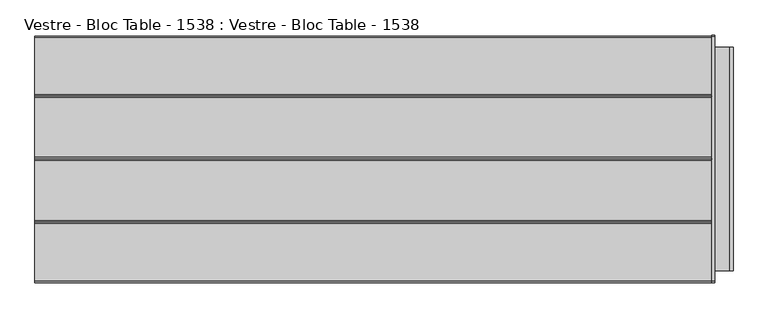
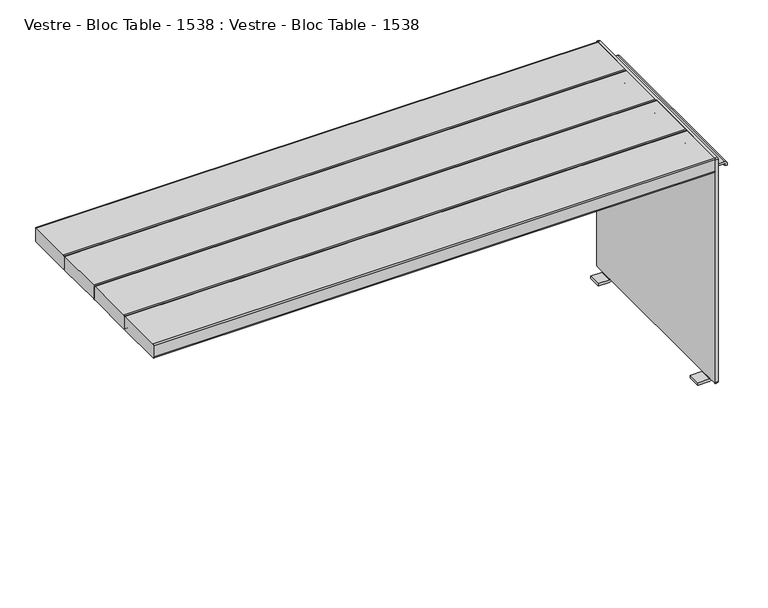
"""IFC4 building model written with IfcOpenShell, lengths in millimetres: furniture geometry, Vestre - Bloc Table - 1538 : Vestre - Bloc Table - 1538."""

import ifcopenshell
import ifcopenshell.guid

model = None  # the IFC model being written
_history = None  # IfcOwnerHistory: only IFC2X3 demands one
_inside = {}  # id of a spatial element -> (the spatial element, [elements in it])
_under = {}  # id of a project, library or spatial element -> (it, [spatial elements below it])
_declared = {}  # id of a project -> (the project, [libraries it declares])
_typed = {}  # id of a type object -> (the type object, [elements of that type])
_made_of = {}  # id of a material, layer set ... -> (it, [elements and type objects made of it])


def new_model(schema):
    """Start an empty IFC model of exactly this schema.

    Asked for "IFC4X3", IfcOpenShell would pick the latest addendum, in which some entities
    have other attributes; the version numbers below select the first issue.
    IFC2X3 requires an IfcOwnerHistory on every rooted entity: one is made here for all.
    """
    global model, _history
    if schema == "IFC4X3":
        model = ifcopenshell.file(schema_version=(4, 3, 0, 0))
    else:
        model = ifcopenshell.file(schema=schema)
    _inside.clear()
    _under.clear()
    _declared.clear()
    _typed.clear()
    _made_of.clear()
    _history = None
    if model.schema == "IFC2X3":
        org = make("IfcOrganization", Name="unknown")
        user = make(
            "IfcPersonAndOrganization",
            ThePerson=make("IfcPerson", FamilyName="unknown"),
            TheOrganization=org,
        )
        app = make(
            "IfcApplication",
            ApplicationDeveloper=org,
            Version="unknown",
            ApplicationFullName="unknown",
            ApplicationIdentifier="unknown",
        )
        _history = make(
            "IfcOwnerHistory",
            OwningUser=user,
            OwningApplication=app,
            ChangeAction="ADDED",
            CreationDate=0,
        )
    return model


def make(cls, **values):
    """One entity of the class cls with the attributes given. An attribute that is None is left unset."""
    return model.create_entity(
        cls, **{name: value for name, value in values.items() if value is not None}
    )


def rooted(cls, **values):
    """An entity with a GlobalId (a new one), such as an element, a storey or a relation."""
    return make(cls, GlobalId=ifcopenshell.guid.new(), OwnerHistory=_history, **values)


def si_unit(unit_type, name, prefix=None):
    """IfcSIUnit, for example si_unit("LENGTHUNIT", "METRE", prefix="MILLI")."""
    return make("IfcSIUnit", UnitType=unit_type, Prefix=prefix, Name=name)


def assignment(units):
    """IfcUnitAssignment: the units of a project."""
    return None if units is None else make("IfcUnitAssignment", Units=units)


def point(xyz):
    """IfcCartesianPoint."""
    return None if xyz is None else make("IfcCartesianPoint", Coordinates=xyz)


def direction(xyz):
    """IfcDirection."""
    return None if xyz is None else make("IfcDirection", DirectionRatios=xyz)


def frame(location, z_axis=None, x_axis=None):
    """IfcAxis2Placement3D, a coordinate frame: its origin and axes. An axis left out is left unset."""
    return make(
        "IfcAxis2Placement3D",
        Location=point(location),
        Axis=direction(z_axis),
        RefDirection=direction(x_axis),
    )


def frame_2d(location, x_axis=None):
    """IfcAxis2Placement2D, a coordinate frame in the plane: its origin and x axis."""
    return make(
        "IfcAxis2Placement2D", Location=point(location), RefDirection=direction(x_axis)
    )


def origin():
    """The frame at (0, 0, 0) with its axes left unset."""
    return frame((0.0, 0.0, 0.0))


def place(relative_to, where):
    """IfcLocalPlacement: puts the frame where relative to a parent placement (None: the world)."""
    return make(
        "IfcLocalPlacement", PlacementRelTo=relative_to, RelativePlacement=where
    )


def context(
    kind, dimensions, precision=None, world=None, true_north=None, identifier=None
):
    """IfcGeometricRepresentationContext, for example the 3D "Model" context."""
    return make(
        "IfcGeometricRepresentationContext",
        ContextIdentifier=identifier,
        ContextType=kind,
        CoordinateSpaceDimension=dimensions,
        Precision=precision,
        WorldCoordinateSystem=world,
        TrueNorth=true_north,
    )


def project(units=None, contexts=None):
    """IfcProject with its units and contexts."""
    return rooted(
        "IfcProject",
        Name="project",
        RepresentationContexts=contexts,
        UnitsInContext=assignment(units),
    )


def spatial(cls, under=None, at=None, **own):
    """A site, building, storey or space (cls), placed at a placement, below another one or the project."""
    s = rooted(cls, ObjectPlacement=at, **own)
    if under is not None:
        _under.setdefault(under.id(), (under, []))[1].append(s)
    return s


def polyline(points):
    """IfcPolyline through the points."""
    return make("IfcPolyline", Points=[point(p) for p in points])


def circle_curve(where, radius):
    """IfcCircle in the frame where."""
    return make("IfcCircle", Position=where, Radius=radius)


def trimmed(basis, trim1, trim2, sense, master):
    """IfcTrimmedCurve: the piece of a basis curve between two trims."""
    return make(
        "IfcTrimmedCurve",
        BasisCurve=basis,
        Trim1=trim1,
        Trim2=trim2,
        SenseAgreement=sense,
        MasterRepresentation=master,
    )


def segment(curve, same_sense, transition):
    """IfcCompositeCurveSegment."""
    return make(
        "IfcCompositeCurveSegment",
        Transition=transition,
        SameSense=same_sense,
        ParentCurve=curve,
    )


def composite_curve(segments, self_intersect=None):
    """IfcCompositeCurve: segments joined end to end."""
    return make("IfcCompositeCurve", Segments=segments, SelfIntersect=self_intersect)


def outline(outer, holes=None, kind="AREA"):
    """IfcArbitraryClosedProfileDef: a profile drawn as a closed curve; with holes, ...WithVoids."""
    if holes is None:
        return make("IfcArbitraryClosedProfileDef", ProfileType=kind, OuterCurve=outer)
    return make(
        "IfcArbitraryProfileDefWithVoids",
        ProfileType=kind,
        OuterCurve=outer,
        InnerCurves=holes,
    )


def extrude(swept, where, along, depth):
    """IfcExtrudedAreaSolid: the profile swept, set in the frame where, extruded along a direction by depth."""
    return make(
        "IfcExtrudedAreaSolid",
        SweptArea=swept,
        Position=where,
        ExtrudedDirection=direction(along),
        Depth=depth,
    )


def shape(context_of_items, identifier, shape_type, items):
    """IfcShapeRepresentation: the items that make up one representation, for example the "Body"."""
    return make(
        "IfcShapeRepresentation",
        ContextOfItems=context_of_items,
        RepresentationIdentifier=identifier,
        RepresentationType=shape_type,
        Items=items,
    )


def source(mapping_origin, context_of_items, identifier, shape_type, items):
    """IfcRepresentationMap: a shape defined once, which mapped items show again and again."""
    return make(
        "IfcRepresentationMap",
        MappingOrigin=mapping_origin,
        MappedRepresentation=shape(context_of_items, identifier, shape_type, items),
    )


def transform(
    local_origin,
    x_axis=None,
    y_axis=None,
    z_axis=None,
    scale=None,
    scale2=None,
    scale3=None,
    uniform=True,
):
    """IfcCartesianTransformationOperator3D, or its non-uniform kind. x_axis, y_axis, z_axis: its Axis1, 2, 3."""
    if uniform:
        return make(
            "IfcCartesianTransformationOperator3D",
            Axis1=direction(x_axis),
            Axis2=direction(y_axis),
            LocalOrigin=point(local_origin),
            Scale=scale,
            Axis3=direction(z_axis),
        )
    return make(
        "IfcCartesianTransformationOperator3DnonUniform",
        Axis1=direction(x_axis),
        Axis2=direction(y_axis),
        LocalOrigin=point(local_origin),
        Scale=scale,
        Axis3=direction(z_axis),
        Scale2=scale2,
        Scale3=scale3,
    )


def mapped(mapping_source, mapping_target):
    """IfcMappedItem: shows the shape of a source again, moved by a transform."""
    return make(
        "IfcMappedItem", MappingSource=mapping_source, MappingTarget=mapping_target
    )


def made_of(thing, what):
    """Note that an element or type object is made of a material, layer set ...; save() writes the relation."""
    if what is not None:
        _made_of.setdefault(what.id(), (what, []))[1].append(thing)
    return thing


def element(
    cls,
    number,
    at=None,
    inside=None,
    cuts=None,
    type_object=None,
    material=None,
    context=None,
    identifier="Body",
    shape_type=None,
    held_by="IfcProductDefinitionShape",
    body=None,
    shapes=None,
    **own,
):
    """One element of the class cls, such as IfcWall. Its Tag is "e" and its number.

    at: its placement. inside: the storey or other place that contains it. cuts: it is an
    opening in that element (IfcRelVoidsElement). A single representation is given by context,
    identifier, shape_type and body (its items); several are given by shapes. held_by: the class
    of the entity that holds the representations. save() writes the other relations.
    """
    e = rooted(cls, Tag="e%d" % number, ObjectPlacement=at, **own)
    if body is not None:
        shapes = [shape(context, identifier, shape_type, body)]
    if shapes is not None:
        e.Representation = make(held_by, Representations=shapes)
    if inside is not None:
        _inside.setdefault(inside.id(), (inside, []))[1].append(e)
    if cuts is not None:
        rooted(
            "IfcRelVoidsElement", RelatingBuildingElement=cuts, RelatedOpeningElement=e
        )
    if type_object is not None:
        _typed.setdefault(type_object.id(), (type_object, []))[1].append(e)
    return made_of(e, material)


def aggregate(whole, parts):
    """IfcRelAggregates: a whole, such as a stair, and the parts it consists of."""
    return rooted("IfcRelAggregates", RelatingObject=whole, RelatedObjects=parts)


def save(model, path):
    """Write the relations noted so far, then the file.

    IfcRelAggregates (storeys below a building ...), IfcRelContainedInSpatialStructure (elements
    in a storey), IfcRelDefinesByType, IfcRelAssociatesMaterial and IfcRelDeclares: one each for
    every whole, place, type object, material and project.
    """
    for whole, parts in _under.values():
        aggregate(whole, parts)
    for where, things in _inside.values():
        rooted(
            "IfcRelContainedInSpatialStructure",
            RelatedElements=things,
            RelatingStructure=where,
        )
    for kind, things in _typed.values():
        rooted("IfcRelDefinesByType", RelatedObjects=things, RelatingType=kind)
    for what, things in _made_of.values():
        rooted("IfcRelAssociatesMaterial", RelatedObjects=things, RelatingMaterial=what)
    for by, libraries in _declared.values():
        rooted("IfcRelDeclares", RelatingContext=by, RelatedDefinitions=libraries)
    model.write(path)


def plane_surface(at):
    """IfcPlane: the flat surface through the origin of the frame at, square to its z axis."""
    return make("IfcPlane", Position=at)


def cylinder_surface(at, radius):
    """IfcCylindricalSurface: all points at the distance radius from the z axis of the frame at."""
    return make("IfcCylindricalSurface", Position=at, Radius=radius)


def revolved_surface(curve, axis_point, axis_direction):
    """IfcSurfaceOfRevolution: the curve turned about the line through axis_point along axis_direction."""
    return make(
        "IfcSurfaceOfRevolution",
        SweptCurve=make("IfcArbitraryOpenProfileDef", ProfileType="CURVE", Curve=curve),
        AxisPosition=make("IfcAxis1Placement", Location=point(axis_point), Axis=direction(axis_direction)),
    )


def advanced_brep(points, edges, surfaces, faces):
    """IfcAdvancedBrep: a solid bounded by faces that lie on surfaces and meet in shared edges.

    An edge is (start, end): straight between two places in points (the first is 0);
    or (start, end, curve); or (start, end, curve, False) where it runs against its curve.
    A face is (place in surfaces, loops), or (place, loops, False) where it looks against
    its surface's normal. A loop lists edges by number (the first is 1), with a minus sign
    where the edge is run from its end to its start. The first loop is the outer one.
    """
    corners = [point(p) for p in points]
    vertices = [make("IfcVertexPoint", VertexGeometry=c) for c in corners]
    made = []
    for start, end, *more in edges:
        made.append(
            make(
                "IfcEdgeCurve",
                EdgeStart=vertices[start],
                EdgeEnd=vertices[end],
                EdgeGeometry=more[0] if more else make("IfcPolyline", Points=[corners[start], corners[end]]),
                SameSense=more[1] if len(more) > 1 else True,
            )
        )
    hull = []
    for where, loops, *sense in faces:
        bounds = []
        for j, loop in enumerate(loops):
            ring = [make("IfcOrientedEdge", EdgeElement=made[abs(k) - 1], Orientation=k > 0) for k in loop]
            bounds.append(
                make(
                    "IfcFaceOuterBound" if j == 0 else "IfcFaceBound",
                    Bound=make("IfcEdgeLoop", EdgeList=ring),
                    Orientation=True,
                )
            )
        hull.append(make("IfcAdvancedFace", Bounds=bounds, FaceSurface=surfaces[where], SameSense=sense[0] if sense else True))
    return make("IfcAdvancedBrep", Outer=make("IfcClosedShell", CfsFaces=hull))


def vestre_bloc_table_1538_vestre_bloc_table_1538_109c5e61(model_context):
    return source(origin(), model_context, "Body", "SolidModel", [
        extrude(outline(polyline([(20.5020914, -284.4050005), (-20.5020914, -284.4050005), (-20.5020914, 284.4050005), (20.5020914, 284.4050005), (20.5020914, -284.4050005)])), frame((0.0, 0.0, 689.0027779), z_axis=(0.0, 0.0, 1.0), x_axis=(1.0, 0.0, 0.0)), (0.0, 0.0, 1.0), 6.0),
        advanced_brep(
        [(914.6216008, 284.4050005, 682.0027779), (914.6216008, 284.4050005, 687.0027779), (914.6216008, -284.4050005, 687.0027779), (914.6216008, -284.4050005, 682.0027779), (914.6216008, -221.626226, 664.5853587), (914.6216008, -218.262862, 664.0027779), (914.6216008, 218.272863, 664.0027779), (914.6216008, 221.636227, 664.5853587), (908.6216008, 284.4050005, 682.0027779), (908.6216008, 221.636227, 664.5853587), (908.6216008, 218.272863, 664.0027779), (908.6216008, -218.262862, 664.0027779), (908.6216008, -221.626226, 664.5853587), (908.6216008, -284.4050005, 682.0027779), (908.6216008, -284.4050005, 687.0027779), (908.6216008, 284.4050005, 687.0027779), (906.6216008, -284.4050005, 695.0027779), (868.6216008, -284.4050005, 695.0027779), (868.6216008, -284.4050005, 689.0027779), (906.6216008, -284.4050005, 689.0027779), (906.6216008, 284.4050005, 689.0027779), (868.6216008, 284.4050005, 689.0027779), (868.6216008, 284.4050005, 695.0027779), (906.6216008, 284.4050005, 695.0027779), (860.7200941, -311.048826, 9.9972221), (860.7200941, -315.0, 13.9483962), (860.7200941, -315.0, 735.9759972), (860.7200941, -310.9759972, 740.0), (860.7200941, 311.0116049, 740.0), (860.7200941, 314.9999885, 736.0143057), (860.7200941, 315.4860483, 15.4039898), (860.7200941, 311.3305667, 9.9972221), (860.7200941, 285.0, 9.9972221), (860.7200941, 245.0, 9.9972221), (860.7200941, -245.0, 9.9972221), (860.7200941, -285.0, 9.9972221), (868.6216008, 311.3305667, 9.9972221), (868.6216008, 315.4860483, 15.4039898), (868.6216008, 314.9999885, 736.0143057), (868.6216008, 311.0116049, 740.0), (868.6216008, -310.9759972, 740.0), (868.6216008, -315.0, 735.9759972), (868.6216008, -315.0, 13.9483962), (868.6216008, -311.048826, 9.9972221), (868.6216008, -285.0, 9.9972221), (868.6216008, -245.0, 9.9972221), (868.6216008, 245.0, 9.9972221), (868.6216008, 285.0, 9.9972221), (824.181415, 285.0, 0.0), (824.181415, 285.0, 8.0), (858.5, 285.0, 8.0), (858.6243787, 285.0, 0.0), (824.181415, 245.0, 0.0), (858.6243787, 245.0, 0.0), (858.5, 245.0, 8.0), (824.181415, 245.0, 8.0), (824.181415, -285.0, 0.0), (858.6243787, -285.0, 0.0), (858.5, -285.0, 8.0), (824.181415, -285.0, 8.0), (824.181415, -245.0, 0.0), (824.181415, -245.0, 8.0), (858.5, -245.0, 8.0), (858.6243787, -245.0, 0.0)],
        [
            (0, 1),
            (1, 2),
            (2, 3),
            (3, 4),
            (4, 5, circle_curve(frame((914.6216008, -218.262862, 674.0027779), z_axis=(1.0, 0.0, 0.0), x_axis=(0.0, 1.0, 0.0)), 10.0)),
            (5, 6),
            (6, 7, circle_curve(frame((914.6216008, 218.272863, 674.0027779), z_axis=(1.0, 0.0, 0.0), x_axis=(0.0, 1.0, 0.0)), 10.0)),
            (7, 0),
            (8, 9),
            (9, 10, circle_curve(frame((908.6216008, 218.272863, 674.0027779), z_axis=(-1.0, 0.0, 0.0), x_axis=(0.0, 1.0, 0.0)), 10.0)),
            (10, 11),
            (11, 12, circle_curve(frame((908.6216008, -218.262862, 674.0027779), z_axis=(-1.0, 0.0, 0.0), x_axis=(0.0, 1.0, 0.0)), 10.0)),
            (12, 13),
            (13, 14),
            (14, 15),
            (15, 8),
            (7, 9),
            (8, 0),
            (6, 10),
            (5, 11),
            (4, 12),
            (3, 13),
            (2, 16, circle_curve(frame((906.6216008, -284.4050005, 687.0027779), z_axis=(0.0, -1.0, 0.0), x_axis=(1.0, 0.0, 0.0)), 8.0)),
            (16, 17),
            (17, 18),
            (18, 19),
            (19, 14, circle_curve(frame((906.6216008, -284.4050005, 687.0027779), z_axis=(0.0, 1.0, 0.0), x_axis=(1.0, 0.0, 0.0)), 2.0)),
            (15, 20, circle_curve(frame((906.6216008, 284.4050005, 687.0027779), z_axis=(0.0, -1.0, 0.0), x_axis=(1.0, 0.0, 0.0)), 2.0)),
            (20, 21),
            (21, 22),
            (22, 23),
            (23, 1, circle_curve(frame((906.6216008, 284.4050005, 687.0027779), z_axis=(0.0, 1.0, 0.0), x_axis=(1.0, 0.0, 0.0)), 8.0)),
            (19, 20),
            (23, 16),
            (22, 17),
            (18, 21),
            (24, 25, circle_curve(frame((860.7200941, -311.048826, 13.9483962), z_axis=(-1.0, 0.0, 0.0), x_axis=(0.0, -1.0, 0.0)), 3.951174)),
            (25, 26),
            (26, 27, circle_curve(frame((860.7200941, -310.9759972, 735.9759972), z_axis=(-1.0, 0.0, 0.0), x_axis=(0.0, -1.0, 0.0)), 4.0240028)),
            (27, 28),
            (28, 29, circle_curve(frame((860.7200941, 311.0116049, 736.0116155), z_axis=(-1.0, 0.0, 0.0), x_axis=(0.0, -1.0, 0.0)), 3.9883845)),
            (29, 30),
            (30, 31, circle_curve(frame((860.7200941, 309.8957951, 15.4002191), z_axis=(-1.0, 0.0, 0.0), x_axis=(0.0, -1.0, 0.0)), 5.5902545)),
            (31, 32),
            (32, 33),
            (33, 34),
            (34, 35),
            (35, 24),
            (36, 37, circle_curve(frame((868.6216008, 309.8957951, 15.4002191), z_axis=(1.0, 0.0, 0.0), x_axis=(0.0, -1.0, 0.0)), 5.5902545)),
            (37, 38),
            (38, 39, circle_curve(frame((868.6216008, 311.0116049, 736.0116155), z_axis=(1.0, 0.0, 0.0), x_axis=(0.0, -1.0, 0.0)), 3.9883845)),
            (39, 40),
            (40, 41, circle_curve(frame((868.6216008, -310.9759972, 735.9759972), z_axis=(1.0, 0.0, 0.0), x_axis=(0.0, -1.0, 0.0)), 4.0240028)),
            (41, 42),
            (42, 43, circle_curve(frame((868.6216008, -311.048826, 13.9483962), z_axis=(1.0, 0.0, 0.0), x_axis=(0.0, -1.0, 0.0)), 3.951174)),
            (43, 44),
            (44, 45),
            (45, 46),
            (46, 47),
            (47, 36),
            (24, 43),
            (42, 25),
            (41, 26),
            (40, 27),
            (39, 28),
            (38, 29),
            (37, 30),
            (36, 31),
            (35, 44),
            (47, 32),
            (33, 46),
            (45, 34),
            (48, 49),
            (49, 50),
            (50, 32, circle_curve(frame((858.5, 285.0, 10.2325293), z_axis=(0.0, -1.0, 0.0), x_axis=(-1.0, 0.0, 0.0)), 2.2325293)),
            (47, 51, circle_curve(frame((858.6243787, 285.0, 9.9972221), z_axis=(0.0, 1.0, 0.0), x_axis=(-1.0, 0.0, 0.0)), 9.9972221)),
            (51, 48),
            (52, 53),
            (53, 46, circle_curve(frame((858.6243787, 245.0, 9.9972221), z_axis=(0.0, -1.0, 0.0), x_axis=(-1.0, 0.0, 0.0)), 9.9972221)),
            (33, 54, circle_curve(frame((858.5, 245.0, 10.2325293), z_axis=(0.0, 1.0, 0.0), x_axis=(-1.0, 0.0, 0.0)), 2.2325293)),
            (54, 55),
            (55, 52),
            (48, 52),
            (55, 49),
            (54, 50),
            (51, 53),
            (56, 57),
            (57, 44, circle_curve(frame((858.6243787, -285.0, 9.9972221), z_axis=(0.0, -1.0, 0.0), x_axis=(-1.0, 0.0, 0.0)), 9.9972221)),
            (35, 58, circle_curve(frame((858.5, -285.0, 10.2325293), z_axis=(0.0, 1.0, 0.0), x_axis=(-1.0, 0.0, 0.0)), 2.2325293)),
            (58, 59),
            (59, 56),
            (60, 61),
            (61, 62),
            (62, 34, circle_curve(frame((858.5, -245.0, 10.2325293), z_axis=(0.0, -1.0, 0.0), x_axis=(-1.0, 0.0, 0.0)), 2.2325293)),
            (45, 63, circle_curve(frame((858.6243787, -245.0, 9.9972221), z_axis=(0.0, 1.0, 0.0), x_axis=(-1.0, 0.0, 0.0)), 9.9972221)),
            (63, 60),
            (59, 61),
            (60, 56),
            (58, 62),
            (63, 57),
        ],
        [
            plane_surface(frame((914.6216008, 284.4050005, 687.0027779), z_axis=(1.0, 0.0, 0.0), x_axis=(0.0, 0.0, 1.0))),
            plane_surface(frame((908.6216008, 284.4050005, 687.0027779), z_axis=(-1.0, 0.0, 0.0), x_axis=(0.0, 0.0, -1.0))),
            plane_surface(frame((914.6216008, 221.636227, 664.5853587), z_axis=(0.0, 0.26738231551867175, -0.9635905236914036), x_axis=(-1.0, 0.0, 0.0))),
            cylinder_surface(frame((908.6216008, 218.272863, 674.0027779), z_axis=(1.0, 0.0, 0.0), x_axis=(0.0, 1.0, 0.0)), 10.0),
            plane_surface(frame((914.6216008, -218.262862, 664.0027779), z_axis=(0.0, 0.0, -1.0), x_axis=(-1.0, 0.0, 0.0))),
            cylinder_surface(frame((908.6216008, -218.262862, 674.0027779), z_axis=(1.0, 0.0, 0.0), x_axis=(0.0, 1.0, 0.0)), 10.0),
            plane_surface(frame((914.6216008, -284.4050005, 682.0027779), z_axis=(0.0, -0.2673427646759247, -0.9636014975992063), x_axis=(-1.0, 0.0, 0.0))),
            plane_surface(frame((914.6216008, -284.4050005, 687.0027779), z_axis=(0.0, -1.0, 0.0), x_axis=(-1.0, 0.0, 0.0))),
            plane_surface(frame((914.6216008, 284.4050005, 682.0027779), z_axis=(0.0, 1.0, 0.0), x_axis=(-1.0, 0.0, 0.0))),
            revolved_surface(polyline([(908.6216008, -284.4050005, 687.0027779), (908.6216008, 284.4050005, 687.0027779)]), (906.6216008, -284.4050005, 687.0027779), (0.0, -1.0, 0.0)),
            cylinder_surface(frame((906.6216008, -284.4050005, 687.0027779), z_axis=(0.0, 1.0, 0.0), x_axis=(1.0, 0.0, 0.0)), 8.0),
            plane_surface(frame((868.6216008, 284.4050005, 695.0027779), z_axis=(0.0, 0.0, 1.0), x_axis=(0.0, -1.0, 0.0))),
            plane_surface(frame((906.6216008, 284.4050005, 689.0027779), z_axis=(0.0, 0.0, -1.0), x_axis=(0.0, -1.0, 0.0))),
            plane_surface(frame((860.7200941, -315.0, 13.9483962), z_axis=(-1.0, 0.0, 0.0), x_axis=(0.0, 0.0, 1.0))),
            plane_surface(frame((868.6216008, -315.0, 13.9483962), z_axis=(1.0, 0.0, 0.0), x_axis=(0.0, 0.0, -1.0))),
            cylinder_surface(frame((868.6216008, -311.048826, 13.9483962), z_axis=(-1.0, 0.0, 0.0), x_axis=(0.0, -1.0, 0.0)), 3.951174),
            plane_surface(frame((860.7200941, -315.0, 13.9483962), z_axis=(0.0, -1.0, 0.0), x_axis=(1.0, 0.0, 0.0))),
            cylinder_surface(frame((868.6216008, -310.9759972, 735.9759972), z_axis=(-1.0, 0.0, 0.0), x_axis=(0.0, -1.0, 0.0)), 4.0240028),
            plane_surface(frame((860.7200941, -310.9759972, 740.0), z_axis=(0.0, 0.0, 1.0), x_axis=(1.0, 0.0, 0.0))),
            cylinder_surface(frame((868.6216008, 311.0116049, 736.0116155), z_axis=(-1.0, 0.0, 0.0), x_axis=(0.0, -1.0, 0.0)), 3.9883845),
            plane_surface(frame((860.7200941, 314.9999885, 736.0143057), z_axis=(0.0, 0.9999997725173004, 0.0006745111915716679), x_axis=(1.0, 0.0, 0.0))),
            cylinder_surface(frame((868.6216008, 309.8957951, 15.4002191), z_axis=(-1.0, 0.0, 0.0), x_axis=(0.0, -1.0, 0.0)), 5.5902545),
            plane_surface(frame((860.7200941, 311.3305667, 9.9972221), z_axis=(0.0, 0.0, -1.0), x_axis=(1.0, 0.0, 0.0))),
            plane_surface(frame((824.181415, 285.0, 0.0), z_axis=(0.0, 1.0, 0.0), x_axis=(0.0, 0.0, 1.0))),
            plane_surface(frame((824.181415, 245.0, 0.0), z_axis=(0.0, -1.0, 0.0), x_axis=(0.0, 0.0, -1.0))),
            plane_surface(frame((824.181415, 285.0, 0.0), z_axis=(-1.0, 0.0, 0.0), x_axis=(0.0, -1.0, 0.0))),
            plane_surface(frame((824.181415, 285.0, 8.0), z_axis=(0.0, 0.0, 1.0), x_axis=(0.0, -1.0, 0.0))),
            plane_surface(frame((858.6243787, 285.0, 0.0), z_axis=(0.0, 0.0, -1.0), x_axis=(0.0, -1.0, 0.0))),
            revolved_surface(polyline([(856.2674707, 245.0, 10.2325293), (856.2674707, 285.0, 10.2325293)]), (858.5, 245.0, 10.2325293), (0.0, -1.0, 0.0)),
            cylinder_surface(frame((858.6243787, 245.0, 9.9972221), z_axis=(0.0, 1.0, 0.0), x_axis=(-1.0, 0.0, 0.0)), 9.9972221),
            plane_surface(frame((858.5, -285.0, 0.0), z_axis=(0.0, -1.0, 0.0), x_axis=(1.0, 0.0, 0.0))),
            plane_surface(frame((858.5, -245.0, 0.0), z_axis=(0.0, 1.0, 0.0), x_axis=(-1.0, 0.0, 0.0))),
            plane_surface(frame((824.181415, -285.0, 8.0), z_axis=(-1.0, 0.0, 0.0), x_axis=(0.0, 1.0, 0.0))),
            plane_surface(frame((858.5, -285.0, 8.0), z_axis=(0.0, 0.0, 1.0), x_axis=(0.0, 1.0, 0.0))),
            plane_surface(frame((824.181415, -285.0, 0.0), z_axis=(0.0, 0.0, -1.0), x_axis=(0.0, 1.0, 0.0))),
            revolved_surface(polyline([(856.2674707, -245.0, 10.2325293), (856.2674707, -285.0, 10.2325293)]), (858.5, -245.0, 10.2325293), (0.0, 1.0, 0.0)),
            cylinder_surface(frame((858.6243787, -245.0, 9.9972221), z_axis=(0.0, -1.0, 0.0), x_axis=(-1.0, 0.0, 0.0)), 9.9972221),
        ],
        [
            (0, [[1, 2, 3, 4, 5, 6, 7, 8]]),
            (1, [[9, 10, 11, 12, 13, 14, 15, 16]]),
            (2, [[-8, 17, -9, 18]]),
            (3, [[-7, 19, -10, -17]]),
            (4, [[-6, 20, -11, -19]]),
            (5, [[-5, 21, -12, -20]]),
            (6, [[-4, 22, -13, -21]]),
            (7, [[-3, 23, 24, 25, 26, 27, -14, -22]]),
            (8, [[-1, -18, -16, 28, 29, 30, 31, 32]]),
            (9, [[-28, -15, -27, 33]]),
            (10, [[-32, 34, -23, -2]]),
            (11, [[-31, 35, -24, -34]]),
            (12, [[-29, -33, -26, 36]]),
            (13, [[37, 38, 39, 40, 41, 42, 43, 44, 45, 46, 47, 48]]),
            (14, [[49, 50, 51, 52, 53, 54, 55, 56, 57, 58, 59, 60], [-25, -35, -30, -36]]),
            (15, [[-37, 61, -55, 62]]),
            (16, [[-38, -62, -54, 63]]),
            (17, [[-39, -63, -53, 64]]),
            (18, [[-40, -64, -52, 65]]),
            (19, [[-41, -65, -51, 66]]),
            (20, [[-42, -66, -50, 67]]),
            (21, [[-43, -67, -49, 68]]),
            (22, [[-61, -48, 69, -56]]),
            (22, [[-68, -60, 70, -44]]),
            (22, [[71, -58, 72, -46]]),
            (23, [[73, 74, 75, -70, 76, 77]]),
            (24, [[78, 79, -71, 80, 81, 82]]),
            (25, [[-73, 83, -82, 84]]),
            (26, [[-74, -84, -81, 85]]),
            (27, [[-77, 86, -78, -83]]),
            (28, [[-75, -85, -80, -45]]),
            (29, [[-76, -59, -79, -86]]),
            (30, [[87, 88, -69, 89, 90, 91]]),
            (31, [[92, 93, 94, -72, 95, 96]]),
            (32, [[-91, 97, -92, 98]]),
            (33, [[-90, 99, -93, -97]]),
            (34, [[-87, -98, -96, 100]]),
            (35, [[-89, -47, -94, -99]]),
            (36, [[-88, -100, -95, -57]]),
        ],
    ),
        advanced_brep(
        [(814.0, 284.4050005, 682.0027779), (814.0, 221.636227, 664.5853587), (814.0, 218.272863, 664.0027779), (814.0, -218.262862, 664.0027779), (814.0, -221.626226, 664.5853587), (814.0, -284.4050005, 682.0027779), (814.0, -284.4050005, 687.0027779), (814.0, 284.4050005, 687.0027779), (820.0, 284.4050005, 682.0027779), (820.0, 284.4050005, 687.0027779), (820.0, -284.4050005, 687.0027779), (820.0, -284.4050005, 682.0027779), (820.0, -221.626226, 664.5853587), (820.0, -218.262862, 664.0027779), (820.0, 218.272863, 664.0027779), (820.0, 221.636227, 664.5853587), (822.0, -284.4050005, 689.0027779), (860.0, -284.4050005, 689.0027779), (860.0, -284.4050005, 695.0027779), (822.0, -284.4050005, 695.0027779), (822.0, 284.4050005, 695.0027779), (860.0, 284.4050005, 695.0027779), (860.0, 284.4050005, 689.0027779), (822.0, 284.4050005, 689.0027779)],
        [
            (0, 1),
            (1, 2, circle_curve(frame((814.0, 218.272863, 674.0027779), z_axis=(-1.0, 0.0, 0.0), x_axis=(0.0, 1.0, 0.0)), 10.0)),
            (2, 3),
            (3, 4, circle_curve(frame((814.0, -218.262862, 674.0027779), z_axis=(-1.0, 0.0, 0.0), x_axis=(0.0, 1.0, 0.0)), 10.0)),
            (4, 5),
            (5, 6),
            (6, 7),
            (7, 0),
            (8, 9),
            (9, 10),
            (10, 11),
            (11, 12),
            (12, 13, circle_curve(frame((820.0, -218.262862, 674.0027779), z_axis=(1.0, 0.0, 0.0), x_axis=(0.0, 1.0, 0.0)), 10.0)),
            (13, 14),
            (14, 15, circle_curve(frame((820.0, 218.272863, 674.0027779), z_axis=(1.0, 0.0, 0.0), x_axis=(0.0, 1.0, 0.0)), 10.0)),
            (15, 8),
            (0, 8),
            (15, 1),
            (14, 2),
            (13, 3),
            (12, 4),
            (11, 5),
            (10, 16, circle_curve(frame((822.0, -284.4050005, 687.0027779), z_axis=(0.0, 1.0, 0.0), x_axis=(-1.0, 0.0, 0.0)), 2.0)),
            (16, 17),
            (17, 18),
            (18, 19),
            (19, 6, circle_curve(frame((822.0, -284.4050005, 687.0027779), z_axis=(0.0, -1.0, 0.0), x_axis=(-1.0, 0.0, 0.0)), 8.0)),
            (7, 20, circle_curve(frame((822.0, 284.4050005, 687.0027779), z_axis=(0.0, 1.0, 0.0), x_axis=(-1.0, 0.0, 0.0)), 8.0)),
            (20, 21),
            (21, 22),
            (22, 23),
            (23, 9, circle_curve(frame((822.0, 284.4050005, 687.0027779), z_axis=(0.0, -1.0, 0.0), x_axis=(-1.0, 0.0, 0.0)), 2.0)),
            (23, 16),
            (19, 20),
            (18, 21),
            (17, 22),
        ],
        [
            plane_surface(frame((814.0, 221.636227, 664.5853587), z_axis=(-1.0, 0.0, 0.0), x_axis=(0.0, -0.9635905236914036, -0.26738231551867175))),
            plane_surface(frame((820.0, 221.636227, 664.5853587), z_axis=(1.0, 0.0, 0.0), x_axis=(0.0, 0.9635905236914036, 0.26738231551867175))),
            plane_surface(frame((814.0, 284.4050005, 682.0027779), z_axis=(0.0, 0.26738231551867175, -0.9635905236914036), x_axis=(1.0, 0.0, 0.0))),
            cylinder_surface(frame((820.0, 218.272863, 674.0027779), z_axis=(-1.0, 0.0, 0.0), x_axis=(0.0, 1.0, 0.0)), 10.0),
            plane_surface(frame((814.0, 218.272863, 664.0027779), z_axis=(0.0, 0.0, -1.0), x_axis=(1.0, 0.0, 0.0))),
            cylinder_surface(frame((820.0, -218.262862, 674.0027779), z_axis=(-1.0, 0.0, 0.0), x_axis=(0.0, 1.0, 0.0)), 10.0),
            plane_surface(frame((814.0, -221.626226, 664.5853587), z_axis=(0.0, -0.2673427646759247, -0.9636014975992063), x_axis=(1.0, 0.0, 0.0))),
            plane_surface(frame((814.0, -284.4050005, 682.0027779), z_axis=(0.0, -1.0, 0.0), x_axis=(1.0, 0.0, 0.0))),
            plane_surface(frame((814.0, 284.4050005, 687.0027779), z_axis=(0.0, 1.0, 0.0), x_axis=(1.0, 0.0, 0.0))),
            revolved_surface(polyline([(820.0, -284.4050005, 687.0027779), (820.0, 284.4050005, 687.0027779)]), (822.0, -284.4050005, 687.0027779), (0.0, -1.0, 0.0)),
            cylinder_surface(frame((822.0, -284.4050005, 687.0027779), z_axis=(0.0, 1.0, 0.0), x_axis=(-1.0, 0.0, 0.0)), 8.0),
            plane_surface(frame((822.0, 284.4050005, 695.0027779), z_axis=(0.0, 0.0, 1.0), x_axis=(0.0, -1.0, 0.0))),
            plane_surface(frame((860.0, 284.4050005, 695.0027779), z_axis=(1.0, 0.0, 0.0), x_axis=(0.0, -1.0, 0.0))),
            plane_surface(frame((860.0, 284.4050005, 689.0027779), z_axis=(0.0, 0.0, -1.0), x_axis=(0.0, -1.0, 0.0))),
        ],
        [
            (0, [[1, 2, 3, 4, 5, 6, 7, 8]]),
            (1, [[9, 10, 11, 12, 13, 14, 15, 16]]),
            (2, [[-1, 17, -16, 18]]),
            (3, [[-2, -18, -15, 19]]),
            (4, [[-3, -19, -14, 20]]),
            (5, [[-4, -20, -13, 21]]),
            (6, [[-5, -21, -12, 22]]),
            (7, [[-6, -22, -11, 23, 24, 25, 26, 27]]),
            (8, [[-8, 28, 29, 30, 31, 32, -9, -17]]),
            (9, [[-32, 33, -23, -10]]),
            (10, [[-28, -7, -27, 34]]),
            (11, [[-29, -34, -26, 35]]),
            (12, [[-30, -35, -25, 36]]),
            (13, [[-31, -36, -24, -33]]),
        ],
    ),
        advanced_brep(
        [(806.0, 284.4050005, 689.0027779), (768.0, 284.4050005, 689.0027779), (768.0, 284.4050005, 695.0027779), (806.0, 284.4050005, 695.0027779), (814.0, 284.4050005, 687.0027779), (814.0, 284.4050005, 682.0027779), (808.0, 284.4050005, 682.0027779), (808.0, 284.4050005, 687.0027779), (806.0, -284.4050005, 689.0027779), (808.0, -284.4050005, 687.0027779), (808.0, -284.4050005, 682.0027779), (814.0, -284.4050005, 682.0027779), (814.0, -284.4050005, 687.0027779), (806.0, -284.4050005, 695.0027779), (768.0, -284.4050005, 695.0027779), (768.0, -284.4050005, 689.0027779), (814.0, -221.626226, 664.5853587), (814.0, -218.262862, 664.0027779), (814.0, 218.272863, 664.0027779), (814.0, 221.636227, 664.5853587), (808.0, 221.636227, 664.5853587), (808.0, 218.272863, 664.0027779), (808.0, -218.262862, 664.0027779), (808.0, -221.626226, 664.5853587)],
        [
            (0, 1),
            (1, 2),
            (2, 3),
            (3, 4, circle_curve(frame((806.0, 284.4050005, 687.0027779), z_axis=(0.0, 1.0, 0.0), x_axis=(1.0, 0.0, 0.0)), 8.0)),
            (4, 5),
            (5, 6),
            (6, 7),
            (7, 0, circle_curve(frame((806.0, 284.4050005, 687.0027779), z_axis=(0.0, -1.0, 0.0), x_axis=(1.0, 0.0, 0.0)), 2.0)),
            (8, 9, circle_curve(frame((806.0, -284.4050005, 687.0027779), z_axis=(0.0, 1.0, 0.0), x_axis=(1.0, 0.0, 0.0)), 2.0)),
            (9, 10),
            (10, 11),
            (11, 12),
            (12, 13, circle_curve(frame((806.0, -284.4050005, 687.0027779), z_axis=(0.0, -1.0, 0.0), x_axis=(1.0, 0.0, 0.0)), 8.0)),
            (13, 14),
            (14, 15),
            (15, 8),
            (7, 9),
            (8, 0),
            (3, 13),
            (12, 4),
            (2, 14),
            (1, 15),
            (11, 16),
            (16, 17, circle_curve(frame((814.0, -218.262862, 674.0027779), z_axis=(1.0, 0.0, 0.0), x_axis=(0.0, 1.0, 0.0)), 10.0)),
            (17, 18),
            (18, 19, circle_curve(frame((814.0, 218.272863, 674.0027779), z_axis=(1.0, 0.0, 0.0), x_axis=(0.0, 1.0, 0.0)), 10.0)),
            (19, 5),
            (6, 20),
            (20, 21, circle_curve(frame((808.0, 218.272863, 674.0027779), z_axis=(-1.0, 0.0, 0.0), x_axis=(0.0, 1.0, 0.0)), 10.0)),
            (21, 22),
            (22, 23, circle_curve(frame((808.0, -218.262862, 674.0027779), z_axis=(-1.0, 0.0, 0.0), x_axis=(0.0, 1.0, 0.0)), 10.0)),
            (23, 10),
            (19, 20),
            (18, 21),
            (17, 22),
            (16, 23),
        ],
        [
            plane_surface(frame((768.0, 284.4050005, 689.0027779), z_axis=(0.0, 1.0, 0.0), x_axis=(-1.0, 0.0, 0.0))),
            plane_surface(frame((768.0, -284.4050005, 689.0027779), z_axis=(0.0, -1.0, 0.0), x_axis=(1.0, 0.0, 0.0))),
            revolved_surface(polyline([(808.0, -284.4050005, 687.0027779), (808.0, 284.4050005, 687.0027779)]), (806.0, -284.4050005, 687.0027779), (0.0, -1.0, 0.0)),
            cylinder_surface(frame((806.0, -284.4050005, 687.0027779), z_axis=(0.0, 1.0, 0.0), x_axis=(1.0, 0.0, 0.0)), 8.0),
            plane_surface(frame((768.0, 284.4050005, 695.0027779), z_axis=(0.0, 0.0, 1.0), x_axis=(0.0, -1.0, 0.0))),
            plane_surface(frame((768.0, 284.4050005, 689.0027779), z_axis=(-1.0, 0.0, 0.0), x_axis=(0.0, -1.0, 0.0))),
            plane_surface(frame((806.0, 284.4050005, 689.0027779), z_axis=(0.0, 0.0, -1.0), x_axis=(0.0, -1.0, 0.0))),
            plane_surface(frame((814.0, 284.4050005, 687.0027779), z_axis=(1.0, 0.0, 0.0), x_axis=(0.0, 0.0, 1.0))),
            plane_surface(frame((808.0, 284.4050005, 687.0027779), z_axis=(-1.0, 0.0, 0.0), x_axis=(0.0, 0.0, -1.0))),
            plane_surface(frame((814.0, 221.636227, 664.5853587), z_axis=(0.0, 0.26738231551867175, -0.9635905236914036), x_axis=(-1.0, 0.0, 0.0))),
            cylinder_surface(frame((808.0, 218.272863, 674.0027779), z_axis=(1.0, 0.0, 0.0), x_axis=(0.0, 1.0, 0.0)), 10.0),
            plane_surface(frame((814.0, -218.262862, 664.0027779), z_axis=(0.0, 0.0, -1.0), x_axis=(-1.0, 0.0, 0.0))),
            cylinder_surface(frame((808.0, -218.262862, 674.0027779), z_axis=(1.0, 0.0, 0.0), x_axis=(0.0, 1.0, 0.0)), 10.0),
            plane_surface(frame((814.0, -284.4050005, 682.0027779), z_axis=(0.0, -0.2673427646759247, -0.9636014975992063), x_axis=(-1.0, 0.0, 0.0))),
        ],
        [
            (0, [[1, 2, 3, 4, 5, 6, 7, 8]]),
            (1, [[9, 10, 11, 12, 13, 14, 15, 16]]),
            (2, [[-8, 17, -9, 18]]),
            (3, [[-4, 19, -13, 20]]),
            (4, [[-3, 21, -14, -19]]),
            (5, [[-2, 22, -15, -21]]),
            (6, [[-1, -18, -16, -22]]),
            (7, [[-5, -20, -12, 23, 24, 25, 26, 27]]),
            (8, [[28, 29, 30, 31, 32, -10, -17, -7]]),
            (9, [[-27, 33, -28, -6]]),
            (10, [[-26, 34, -29, -33]]),
            (11, [[-25, 35, -30, -34]]),
            (12, [[-24, 36, -31, -35]]),
            (13, [[-23, -11, -32, -36]]),
        ],
    ),
        advanced_brep(
        [(-814.0, 284.4050005, 682.0027779), (-814.0, 221.636227, 664.5853587), (-814.0, 218.272863, 664.0027779), (-814.0, -218.262862, 664.0027779), (-814.0, -221.626226, 664.5853587), (-814.0, -284.4050005, 682.0027779), (-814.0, -284.4050005, 687.0027779), (-814.0, 284.4050005, 687.0027779), (-808.0, 284.4050005, 682.0027779), (-808.0, 284.4050005, 687.0027779), (-808.0, -284.4050005, 687.0027779), (-808.0, -284.4050005, 682.0027779), (-808.0, -221.626226, 664.5853587), (-808.0, -218.262862, 664.0027779), (-808.0, 218.272863, 664.0027779), (-808.0, 221.636227, 664.5853587), (-806.0, -284.4050005, 689.0027779), (-768.0, -284.4050005, 689.0027779), (-768.0, -284.4050005, 695.0027779), (-806.0, -284.4050005, 695.0027779), (-806.0, 284.4050005, 695.0027779), (-768.0, 284.4050005, 695.0027779), (-768.0, 284.4050005, 689.0027779), (-806.0, 284.4050005, 689.0027779)],
        [
            (0, 1),
            (1, 2, circle_curve(frame((-814.0, 218.272863, 674.0027779), z_axis=(-1.0, 0.0, 0.0), x_axis=(0.0, 1.0, 0.0)), 10.0)),
            (2, 3),
            (3, 4, circle_curve(frame((-814.0, -218.262862, 674.0027779), z_axis=(-1.0, 0.0, 0.0), x_axis=(0.0, 1.0, 0.0)), 10.0)),
            (4, 5),
            (5, 6),
            (6, 7),
            (7, 0),
            (8, 9),
            (9, 10),
            (10, 11),
            (11, 12),
            (12, 13, circle_curve(frame((-808.0, -218.262862, 674.0027779), z_axis=(1.0, 0.0, 0.0), x_axis=(0.0, 1.0, 0.0)), 10.0)),
            (13, 14),
            (14, 15, circle_curve(frame((-808.0, 218.272863, 674.0027779), z_axis=(1.0, 0.0, 0.0), x_axis=(0.0, 1.0, 0.0)), 10.0)),
            (15, 8),
            (0, 8),
            (15, 1),
            (14, 2),
            (13, 3),
            (12, 4),
            (11, 5),
            (10, 16, circle_curve(frame((-806.0, -284.4050005, 687.0027779), z_axis=(0.0, 1.0, 0.0), x_axis=(-1.0, 0.0, 0.0)), 2.0)),
            (16, 17),
            (17, 18),
            (18, 19),
            (19, 6, circle_curve(frame((-806.0, -284.4050005, 687.0027779), z_axis=(0.0, -1.0, 0.0), x_axis=(-1.0, 0.0, 0.0)), 8.0)),
            (7, 20, circle_curve(frame((-806.0, 284.4050005, 687.0027779), z_axis=(0.0, 1.0, 0.0), x_axis=(-1.0, 0.0, 0.0)), 8.0)),
            (20, 21),
            (21, 22),
            (22, 23),
            (23, 9, circle_curve(frame((-806.0, 284.4050005, 687.0027779), z_axis=(0.0, -1.0, 0.0), x_axis=(-1.0, 0.0, 0.0)), 2.0)),
            (23, 16),
            (19, 20),
            (18, 21),
            (17, 22),
        ],
        [
            plane_surface(frame((-814.0, 221.636227, 664.5853587), z_axis=(-1.0, 0.0, 0.0), x_axis=(0.0, -0.9635905236914036, -0.26738231551867175))),
            plane_surface(frame((-808.0, 221.636227, 664.5853587), z_axis=(1.0, 0.0, 0.0), x_axis=(0.0, 0.9635905236914036, 0.26738231551867175))),
            plane_surface(frame((-814.0, 284.4050005, 682.0027779), z_axis=(0.0, 0.26738231551867175, -0.9635905236914036), x_axis=(1.0, 0.0, 0.0))),
            cylinder_surface(frame((-808.0, 218.272863, 674.0027779), z_axis=(-1.0, 0.0, 0.0), x_axis=(0.0, 1.0, 0.0)), 10.0),
            plane_surface(frame((-814.0, 218.272863, 664.0027779), z_axis=(0.0, 0.0, -1.0), x_axis=(1.0, 0.0, 0.0))),
            cylinder_surface(frame((-808.0, -218.262862, 674.0027779), z_axis=(-1.0, 0.0, 0.0), x_axis=(0.0, 1.0, 0.0)), 10.0),
            plane_surface(frame((-814.0, -221.626226, 664.5853587), z_axis=(0.0, -0.2673427646759247, -0.9636014975992063), x_axis=(1.0, 0.0, 0.0))),
            plane_surface(frame((-814.0, -284.4050005, 682.0027779), z_axis=(0.0, -1.0, 0.0), x_axis=(1.0, 0.0, 0.0))),
            plane_surface(frame((-814.0, 284.4050005, 687.0027779), z_axis=(0.0, 1.0, 0.0), x_axis=(1.0, 0.0, 0.0))),
            revolved_surface(polyline([(-808.0, -284.4050005, 687.0027779), (-808.0, 284.4050005, 687.0027779)]), (-806.0, -284.4050005, 687.0027779), (0.0, -1.0, 0.0)),
            cylinder_surface(frame((-806.0, -284.4050005, 687.0027779), z_axis=(0.0, 1.0, 0.0), x_axis=(-1.0, 0.0, 0.0)), 8.0),
            plane_surface(frame((-806.0, 284.4050005, 695.0027779), z_axis=(0.0, 0.0, 1.0), x_axis=(0.0, -1.0, 0.0))),
            plane_surface(frame((-768.0, 284.4050005, 695.0027779), z_axis=(1.0, 0.0, 0.0), x_axis=(0.0, -1.0, 0.0))),
            plane_surface(frame((-768.0, 284.4050005, 689.0027779), z_axis=(0.0, 0.0, -1.0), x_axis=(0.0, -1.0, 0.0))),
        ],
        [
            (0, [[1, 2, 3, 4, 5, 6, 7, 8]]),
            (1, [[9, 10, 11, 12, 13, 14, 15, 16]]),
            (2, [[-1, 17, -16, 18]]),
            (3, [[-2, -18, -15, 19]]),
            (4, [[-3, -19, -14, 20]]),
            (5, [[-4, -20, -13, 21]]),
            (6, [[-5, -21, -12, 22]]),
            (7, [[-6, -22, -11, 23, 24, 25, 26, 27]]),
            (8, [[-8, 28, 29, 30, 31, 32, -9, -17]]),
            (9, [[-32, 33, -23, -10]]),
            (10, [[-28, -7, -27, 34]]),
            (11, [[-29, -34, -26, 35]]),
            (12, [[-30, -35, -25, 36]]),
            (13, [[-31, -36, -24, -33]]),
        ],
    ),
        extrude(outline(composite_curve([segment(trimmed(circle_curve(frame_2d((164.0, 699.0027779)), 4.0), [point((164.0, 695.0027779))], [point((160.0, 699.0027779))], False, "CARTESIAN"), True, "CONTINUOUS"), segment(polyline([(160.0, 699.0027779), (160.0, 736.0447834)]), True, "CONTINUOUS"), segment(trimmed(circle_curve(frame_2d((163.9579945, 736.0447834)), 3.9579945), [point((160.0, 736.0447834))], [point((163.9579945, 740.0027779))], False, "CARTESIAN"), True, "CONTINUOUS"), segment(polyline([(163.9579945, 740.0027779), (308.2662486, 740.0027779)]), True, "CONTINUOUS"), segment(trimmed(circle_curve(frame_2d((308.2662486, 736.0027779)), 4.0), [point((308.2662486, 740.0027779))], [point((312.2662486, 736.0027779))], False, "CARTESIAN"), True, "CONTINUOUS"), segment(polyline([(312.2662486, 736.0027779), (312.2662486, 699.0027779)]), True, "CONTINUOUS"), segment(trimmed(circle_curve(frame_2d((308.2662486, 699.0027779)), 4.0), [point((312.2662486, 699.0027779))], [point((308.2662486, 695.0027779))], False, "CARTESIAN"), True, "CONTINUOUS"), segment(polyline([(308.2662486, 695.0027779), (164.0, 695.0027779)]), True, "CONTINUOUS")], self_intersect=False)), frame((-860.5, 0.0, 0.0), z_axis=(1.0, 0.0, 0.0), x_axis=(0.0, 1.0, 0.0)), (0.0, 0.0, 1.0), 1721.2200941),
        extrude(outline(composite_curve([segment(trimmed(circle_curve(frame_2d((-310.989999, 699.0027779)), 4.0), [point((-310.989999, 695.0027779))], [point((-314.989999, 699.0027779))], False, "CARTESIAN"), True, "CONTINUOUS"), segment(polyline([(-314.989999, 699.0027779), (-314.989999, 736.0447834)]), True, "CONTINUOUS"), segment(trimmed(circle_curve(frame_2d((-311.0320045, 736.0447834)), 3.9579945), [point((-314.989999, 736.0447834))], [point((-311.0320045, 740.0027779))], False, "CARTESIAN"), True, "CONTINUOUS"), segment(polyline([(-311.0320045, 740.0027779), (-164.8437324, 740.0027779)]), True, "CONTINUOUS"), segment(trimmed(circle_curve(frame_2d((-164.8437324, 736.0027779)), 4.0), [point((-164.8437324, 740.0027779))], [point((-160.8437324, 736.0027779))], False, "CARTESIAN"), True, "CONTINUOUS"), segment(polyline([(-160.8437324, 736.0027779), (-160.8437324, 699.0027779)]), True, "CONTINUOUS"), segment(trimmed(circle_curve(frame_2d((-164.8437324, 699.0027779)), 4.0), [point((-160.8437324, 699.0027779))], [point((-164.8437324, 695.0027779))], False, "CARTESIAN"), True, "CONTINUOUS"), segment(polyline([(-164.8437324, 695.0027779), (-310.989999, 695.0027779)]), True, "CONTINUOUS")], self_intersect=False)), frame((-860.5, 0.0, 0.0), z_axis=(1.0, 0.0, 0.0), x_axis=(0.0, 1.0, 0.0)), (0.0, 0.0, 1.0), 1721.2200941),
        extrude(outline(composite_curve([segment(trimmed(circle_curve(frame_2d((-156.8437324, 699.0027779)), 4.0), [point((-156.8437324, 695.0027779))], [point((-160.8437324, 699.0027779))], False, "CARTESIAN"), True, "CONTINUOUS"), segment(polyline([(-160.8437324, 699.0027779), (-160.8437324, 736.0447834)]), True, "CONTINUOUS"), segment(trimmed(circle_curve(frame_2d((-156.885738, 736.0447834)), 3.9579945), [point((-160.8437324, 736.0447834))], [point((-156.885738, 740.0027779))], False, "CARTESIAN"), True, "CONTINUOUS"), segment(polyline([(-156.885738, 740.0027779), (-4.0, 740.0027779)]), True, "CONTINUOUS"), segment(trimmed(circle_curve(frame_2d((-4.0, 736.0027779)), 4.0), [point((-4.0, 740.0027779))], [point((0.0, 736.0027779))], False, "CARTESIAN"), True, "CONTINUOUS"), segment(polyline([(0.0, 736.0027779), (0.0, 699.0027779)]), True, "CONTINUOUS"), segment(trimmed(circle_curve(frame_2d((-4.0, 699.0027779)), 4.0), [point((0.0, 699.0027779))], [point((-4.0, 695.0027779))], False, "CARTESIAN"), True, "CONTINUOUS"), segment(polyline([(-4.0, 695.0027779), (-156.8437324, 695.0027779)]), True, "CONTINUOUS")], self_intersect=False)), frame((-860.5, 0.0, 0.0), z_axis=(1.0, 0.0, 0.0), x_axis=(0.0, 1.0, 0.0)), (0.0, 0.0, 1.0), 1721.2200941),
        extrude(outline(composite_curve([segment(trimmed(circle_curve(frame_2d((4.0, 699.0027779)), 4.0), [point((4.0, 695.0027779))], [point((0.0, 699.0027779))], False, "CARTESIAN"), True, "CONTINUOUS"), segment(polyline([(0.0, 699.0027779), (0.0, 736.0447834)]), True, "CONTINUOUS"), segment(trimmed(circle_curve(frame_2d((3.9579945, 736.0447834)), 3.9579945), [point((0.0, 736.0447834))], [point((3.9579945, 740.0027779))], False, "CARTESIAN"), True, "CONTINUOUS"), segment(polyline([(3.9579945, 740.0027779), (156.0, 740.0027779)]), True, "CONTINUOUS"), segment(trimmed(circle_curve(frame_2d((156.0, 736.0027779)), 4.0), [point((156.0, 740.0027779))], [point((160.0, 736.0027779))], False, "CARTESIAN"), True, "CONTINUOUS"), segment(polyline([(160.0, 736.0027779), (160.0, 699.0027779)]), True, "CONTINUOUS"), segment(trimmed(circle_curve(frame_2d((156.0, 699.0027779)), 4.0), [point((160.0, 699.0027779))], [point((156.0, 695.0027779))], False, "CARTESIAN"), True, "CONTINUOUS"), segment(polyline([(156.0, 695.0027779), (4.0, 695.0027779)]), True, "CONTINUOUS")], self_intersect=False)), frame((-860.5, 0.0, 0.0), z_axis=(1.0, 0.0, 0.0), x_axis=(0.0, 1.0, 0.0)), (0.0, 0.0, 1.0), 1721.2200941),
        extrude(outline(composite_curve([segment(polyline([(-168.0050005, 687.0027779), (-168.0050005, 671.0027779)]), True, "CONTINUOUS"), segment(trimmed(circle_curve(frame_2d((-170.0050005, 671.0027779)), 2.0), [point((-168.0050005, 671.0027779))], [point((-170.0050005, 669.0027779))], False, "CARTESIAN"), True, "CONTINUOUS"), segment(polyline([(-170.0050005, 669.0027779), (-206.0050005, 669.0027779)]), True, "CONTINUOUS"), segment(trimmed(circle_curve(frame_2d((-206.0050005, 671.0027779)), 2.0), [point((-206.0050005, 669.0027779))], [point((-208.0050005, 671.0027779))], False, "CARTESIAN"), True, "CONTINUOUS"), segment(polyline([(-208.0050005, 671.0027779), (-208.0050005, 687.0027779)]), True, "CONTINUOUS"), segment(trimmed(circle_curve(frame_2d((-206.0050005, 687.0027779)), 2.0), [point((-208.0050005, 687.0027779))], [point((-206.0050005, 689.0027779))], False, "CARTESIAN"), True, "CONTINUOUS"), segment(polyline([(-206.0050005, 689.0027779), (-170.0050005, 689.0027779)]), True, "CONTINUOUS"), segment(trimmed(circle_curve(frame_2d((-170.0050005, 687.0027779)), 2.0), [point((-170.0050005, 689.0027779))], [point((-168.0050005, 687.0027779))], False, "CARTESIAN"), True, "CONTINUOUS")], self_intersect=False)), frame((-808.0, 0.0, 0.0), z_axis=(1.0, 0.0, 0.0), x_axis=(0.0, 1.0, 0.0)), (0.0, 0.0, 1.0), 1616.0),
        extrude(outline(composite_curve([segment(trimmed(circle_curve(frame_2d((170.0050005, 687.0027779)), 2.0), [point((168.0050005, 687.0027779))], [point((170.0050005, 689.0027779))], False, "CARTESIAN"), True, "CONTINUOUS"), segment(polyline([(170.0050005, 689.0027779), (206.0050005, 689.0027779)]), True, "CONTINUOUS"), segment(trimmed(circle_curve(frame_2d((206.0050005, 687.0027779)), 2.0), [point((206.0050005, 689.0027779))], [point((208.0050005, 687.0027779))], False, "CARTESIAN"), True, "CONTINUOUS"), segment(polyline([(208.0050005, 687.0027779), (208.0050005, 671.0027779)]), True, "CONTINUOUS"), segment(trimmed(circle_curve(frame_2d((206.0050005, 671.0027779)), 2.0), [point((208.0050005, 671.0027779))], [point((206.0050005, 669.0027779))], False, "CARTESIAN"), True, "CONTINUOUS"), segment(polyline([(206.0050005, 669.0027779), (170.0050005, 669.0027779)]), True, "CONTINUOUS"), segment(trimmed(circle_curve(frame_2d((170.0050005, 671.0027779)), 2.0), [point((170.0050005, 669.0027779))], [point((168.0050005, 671.0027779))], False, "CARTESIAN"), True, "CONTINUOUS"), segment(polyline([(168.0050005, 671.0027779), (168.0050005, 687.0027779)]), True, "CONTINUOUS")], self_intersect=False)), frame((-808.0, 0.0, 0.0), z_axis=(1.0, 0.0, 0.0), x_axis=(0.0, 1.0, 0.0)), (0.0, 0.0, 1.0), 1616.0),
    ])


if __name__ == "__main__":
    model = new_model("IFC4")
    model_context = context("Model", 3, world=origin())
    ifc_project = project(units=[si_unit("LENGTHUNIT", "METRE", prefix="MILLI")], contexts=[model_context])
    site = spatial("IfcSite", under=ifc_project)
    building = spatial("IfcBuilding", under=site)
    placement = place(None, origin())
    vestre_bloc_table_1538_vestre_bloc_table_1538_shape = vestre_bloc_table_1538_vestre_bloc_table_1538_109c5e61(model_context)
    element("IfcFurniture", 1, ObjectType="Vestre - Bloc Table - 1538 : Vestre - Bloc Table - 1538", at=placement, inside=building, context=model_context, shape_type="MappedRepresentation", body=[
        mapped(vestre_bloc_table_1538_vestre_bloc_table_1538_shape, transform((0.0, 0.0, 0.0), x_axis=(1.0, 0.0, 0.0), y_axis=(0.0, 1.0, 0.0), z_axis=(0.0, 0.0, 1.0))),
    ])
    save(model, "model.ifc")
